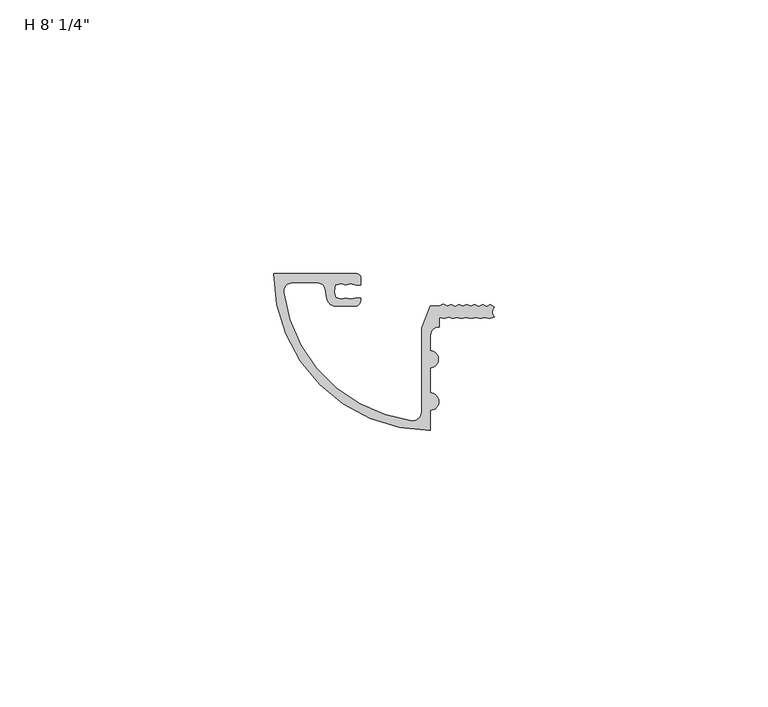
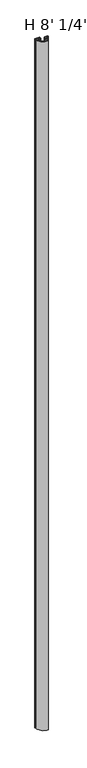
"""IFC4 building model written with IfcOpenShell, lengths in millimetres: proxy geometry."""

from ifc_helpers import new_model, si_unit, point, frame_2d, origin, origin_with_axes, place, context, project, spatial, polyline, circle_curve, trimmed, segment, composite_curve, outline, extrude, source, transform, mapped, element, save


def proxy_5294032a(model_context):
    return source(origin(), model_context, "Body", "SweptSolid", [
        extrude(outline(composite_curve([segment(polyline([(18.0472383, -9.9409866), (19.6405441, -5.8977295), (21.2643492, -5.8977295), (21.9761751, -5.5657997), (22.668138, -5.9337229), (23.4206141, -5.5986989), (24.1571124, -6.0051261), (24.8327199, -5.5991801), (25.5410838, -5.9294957), (26.25963, -5.5944321), (26.988687, -5.934397), (27.6966081, -5.6042879), (28.46625, -5.9631778), (29.1762437, -5.6321023), (29.8976483, -5.9684988), (30.5970616, -5.5808077), (31.2551692, -6.1091347)]), True, "CONTINUOUS"), segment(trimmed(circle_curve(frame_2d((32.3686501, -7.0030343)), 1.4278993), [point((31.2551692, -6.1091347))], [point((31.2491047, -7.8893268))], True, "CARTESIAN"), True, "CONTINUOUS"), segment(polyline([(31.2491047, -7.8893268), (30.3656819, -8.1553262), (29.5700184, -7.9862027), (28.7703401, -8.1786509), (27.873416, -7.9880038), (26.9623737, -8.1776372), (26.1837264, -7.9834986), (25.3088898, -8.1655958), (24.5336946, -7.972318), (23.7286609, -8.1398857), (22.963234, -7.9490433), (22.1928114, -8.1699585), (21.2225933, -7.9637322), (21.2225933, -9.6959523)]), True, "CONTINUOUS"), segment(trimmed(circle_curve(frame_2d((21.2203144, -11.2834506)), 1.5875), [point((21.2225933, -9.6959523))], [point((19.632816, -11.2811717))], True, "CARTESIAN"), True, "CONTINUOUS"), segment(polyline([(19.632816, -11.2811717), (19.6288599, -14.0370689)]), True, "CONTINUOUS"), segment(trimmed(circle_curve(frame_2d((19.5356139, -15.6117367)), 1.5774262), [point((19.6288599, -14.0370689))], [point((19.6243385, -17.1866657))], False, "CARTESIAN"), True, "CONTINUOUS"), segment(polyline([(19.6243385, -17.1866657), (19.6177571, -21.7713609)]), True, "CONTINUOUS"), segment(trimmed(circle_curve(frame_2d((19.6154964, -23.3461593)), 1.5748), [point((19.6177571, -21.7713609))], [point((19.6132357, -24.9209577))], False, "CARTESIAN"), True, "CONTINUOUS"), segment(polyline([(19.6132357, -24.9209577), (19.6078657, -28.661793)]), True, "CONTINUOUS"), segment(trimmed(circle_curve(frame_2d((19.6488858, -0.0868224)), 28.575), [point((19.6078657, -28.661793))], [point((-8.9259823, 0.0))], False, "CARTESIAN"), True, "CONTINUOUS"), segment(polyline([(-8.9259823, 0.0), (6.1577097, 0.0)]), True, "CONTINUOUS"), segment(trimmed(circle_curve(frame_2d((6.1577097, -0.79502)), 0.79502), [point((6.1577097, 0.0))], [point((6.9527289, -0.7961613))], False, "CARTESIAN"), True, "CONTINUOUS"), segment(polyline([(6.9527289, -0.7961613), (6.9509476, -2.0369875), (5.9798374, -2.0369875), (5.0959545, -1.8001518), (4.2120717, -2.0369875), (3.3281889, -1.8001518), (2.2904412, -2.0782154)]), True, "CONTINUOUS"), segment(trimmed(circle_curve(frame_2d((5.3964317, -3.1778658)), 3.2949063), [point((2.2904412, -2.0782154))], [point((2.3275634, -4.3772219))], True, "CARTESIAN"), True, "CONTINUOUS"), segment(polyline([(2.3275634, -4.3772219), (3.3281889, -4.6453387), (4.2120717, -4.408503), (5.0959545, -4.6453387), (5.9798374, -4.408503), (6.9333227, -4.408503)]), True, "CONTINUOUS"), segment(trimmed(circle_curve(frame_2d((5.5899473, -4.6497232)), 1.3648606), [point((6.9333227, -4.408503))], [point((6.1503897, -5.8942106))], False, "CARTESIAN"), True, "CONTINUOUS"), segment(polyline([(6.1503897, -5.8942106), (2.2966421, -5.8886785)]), True, "CONTINUOUS"), segment(trimmed(circle_curve(frame_2d((2.2989209, -4.3011801)), 1.5875), [point((2.2966421, -5.8886785))], [point((0.806527, -4.8423977))], False, "CARTESIAN"), True, "CONTINUOUS"), segment(trimmed(circle_curve(frame_2d((5.3964317, -3.1778658)), 4.8824063), [point((0.806527, -4.8423977))], [point((0.5141967, -3.2187765))], False, "CARTESIAN"), True, "CONTINUOUS"), segment(trimmed(circle_curve(frame_2d((-1.0732475, -3.2320785)), 1.5875), [point((0.5141967, -3.2187765))], [point((-1.0709686, -1.6445801))], True, "CARTESIAN"), True, "CONTINUOUS"), segment(polyline([(-1.0709686, -1.6445801), (-5.5541484, -1.6381444)]), True, "CONTINUOUS"), segment(trimmed(circle_curve(frame_2d((-5.5564273, -3.2256427)), 1.5875), [point((-5.5541484, -1.6381444))], [point((-7.1317593, -3.421819))], True, "CARTESIAN"), True, "CONTINUOUS"), segment(trimmed(circle_curve(frame_2d((19.6488858, -0.0868224)), 26.9875), [point((-7.1317593, -3.421819))], [point((16.2370144, -26.8577822))], True, "CARTESIAN"), True, "CONTINUOUS"), segment(trimmed(circle_curve(frame_2d((16.4377127, -25.2830199)), 1.5875), [point((16.2370144, -26.8577822))], [point((18.0252111, -25.2852988))], True, "CARTESIAN"), True, "CONTINUOUS"), segment(polyline([(18.0252111, -25.2852988), (18.0472383, -9.9409866)]), True, "CONTINUOUS")], self_intersect=False)), origin_with_axes(), (0.0, 0.0, 1.0), 2444.75),
    ])


if __name__ == "__main__":
    model = new_model("IFC4")
    model_context = context("Model", 3, world=origin())
    ifc_project = project(units=[si_unit("LENGTHUNIT", "METRE", prefix="MILLI")], contexts=[model_context])
    site = spatial("IfcSite", under=ifc_project)
    building = spatial("IfcBuilding", under=site)
    placement = place(None, origin())
    proxy_shape = proxy_5294032a(model_context)
    element("IfcBuildingElementProxy", 1, Name="H 8' 1/4\"", ObjectType="H 8' 1/4\"", at=placement, inside=building, context=model_context, shape_type="MappedRepresentation", body=[
        mapped(proxy_shape, transform((0.0, 0.0, 0.0), x_axis=(1.0, 0.0, 0.0), y_axis=(0.0, 1.0, 0.0), z_axis=(0.0, 0.0, 1.0))),
    ])
    save(model, "model.ifc")
